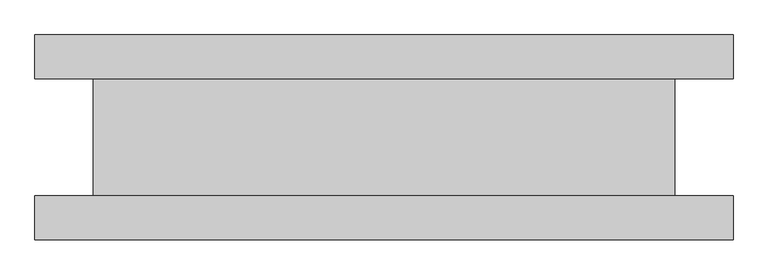
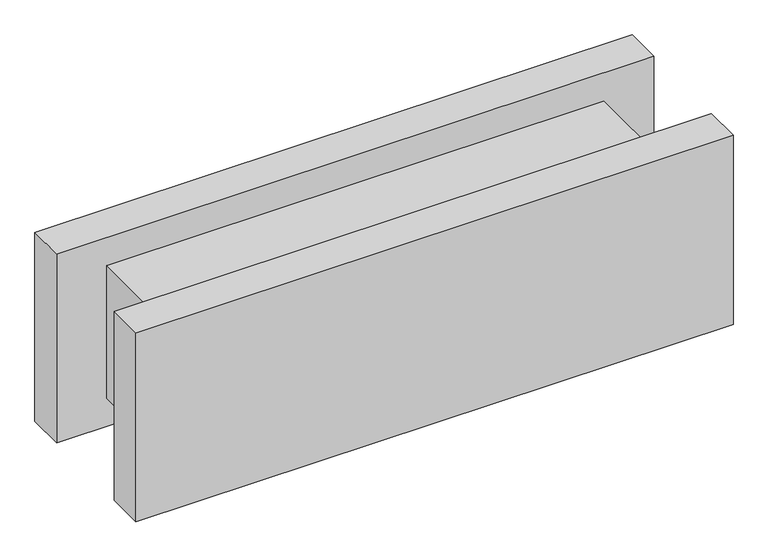
"""IFC4 building model written with IfcOpenShell, lengths in millimetres: plate geometry."""

from ifc_helpers import new_model, si_unit, frame, origin, origin_with_axes, place, context, project, spatial, polyline, outline, extrude, source, transform, mapped, element, save


def plate_a044fba2(model_context):
    return source(origin(), model_context, "Body", "SweptSolid", [
        extrude(outline(polyline([(596.875, -175.0), (-596.875, -175.0), (-596.875, -100.0), (596.875, -100.0), (596.875, -175.0)])), origin_with_axes(), (0.0, 0.0, 1.0), 400.0),
        extrude(outline(polyline([(596.875, 100.0), (-596.875, 100.0), (-596.875, 175.0), (596.875, 175.0), (596.875, 100.0)])), origin_with_axes(), (0.0, 0.0, 1.0), 400.0),
        extrude(outline(polyline([(496.875, -100.0), (-496.875, -100.0), (-496.875, 100.0), (496.875, 100.0), (496.875, -100.0)])), frame((0.0, 0.0, 59.45), z_axis=(0.0, 0.0, 1.0), x_axis=(1.0, 0.0, 0.0)), (0.0, 0.0, 1.0), 281.1),
    ])


if __name__ == "__main__":
    model = new_model("IFC4")
    model_context = context("Model", 3, world=origin())
    ifc_project = project(units=[si_unit("LENGTHUNIT", "METRE", prefix="MILLI")], contexts=[model_context])
    site = spatial("IfcSite", under=ifc_project)
    building = spatial("IfcBuilding", under=site)
    placement = place(None, origin())
    plate_shape = plate_a044fba2(model_context)
    element("IfcPlate", 1, at=placement, inside=building, context=model_context, shape_type="MappedRepresentation", body=[
        mapped(plate_shape, transform((0.0, 0.0, 0.0), x_axis=(1.0, 0.0, 0.0), y_axis=(0.0, 1.0, 0.0), z_axis=(0.0, 0.0, 1.0))),
    ])
    save(model, "model.ifc")
